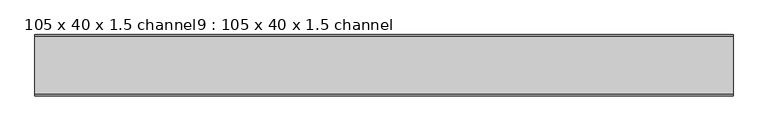
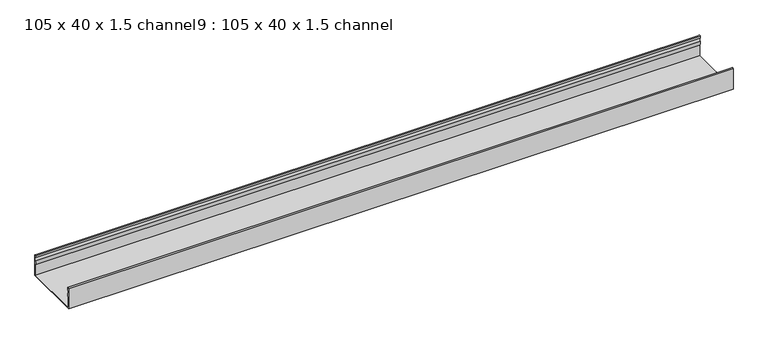
"""IFC4 building model written with IfcOpenShell, lengths in millimetres: proxy geometry, 105 x 40 x 1.5 channel9 : 105 x 40 x 1.5 channel."""

from ifc_helpers import new_model, si_unit, point, frame, frame_2d, origin, place, context, project, spatial, polyline, circle_curve, trimmed, segment, composite_curve, outline, extrude, source, transform, mapped, element, save


def proxy_105_x_40_x_1_5_channel9_105_x_40_x_1_5_channel_d0b52248(model_context):
    return source(origin(), model_context, "Body", "SweptSolid", [
        extrude(outline(composite_curve([segment(trimmed(circle_curve(frame_2d((-25047.5343538, 32.0)), 10.0), [point((-25037.9590458, 29.1166898))], [point((-25037.9590458, 34.8833102))], True, "CARTESIAN"), True, "CONTINUOUS"), segment(polyline([(-25037.9590458, 34.8833102), (-25038.5343538, 38.8)]), True, "CONTINUOUS"), segment(trimmed(circle_curve(frame_2d((-25037.3343538, 38.8)), 1.2), [point((-25038.5343538, 38.8))], [point((-25036.1343538, 38.8))], False, "CARTESIAN"), True, "CONTINUOUS"), segment(polyline([(-25036.1343538, 38.8), (-25036.1343538, 0.0), (-25141.4343538, 0.0), (-25141.4343538, 38.8)]), True, "CONTINUOUS"), segment(trimmed(circle_curve(frame_2d((-25140.2343538, 38.8)), 1.2), [point((-25141.4343538, 38.8))], [point((-25139.0343538, 38.8))], False, "CARTESIAN"), True, "CONTINUOUS"), segment(polyline([(-25139.0343538, 38.8), (-25139.6096617, 34.8833102)]), True, "CONTINUOUS"), segment(trimmed(circle_curve(frame_2d((-25130.0343538, 32.0)), 10.0), [point((-25139.6096617, 34.8833102))], [point((-25139.6096617, 29.1166898))], True, "CARTESIAN"), True, "CONTINUOUS"), segment(trimmed(circle_curve(frame_2d((-25149.0343538, 25.77376)), 10.0), [point((-25139.6096617, 29.1166898))], [point((-25140.0343538, 21.4148611))], False, "CARTESIAN"), True, "CONTINUOUS"), segment(polyline([(-25140.0343538, 21.4148611), (-25140.0343538, 1.4), (-25037.5343538, 1.4), (-25037.5343538, 21.4148611)]), True, "CONTINUOUS"), segment(trimmed(circle_curve(frame_2d((-25028.5343538, 25.77376)), 10.0), [point((-25037.5343538, 21.4148611))], [point((-25037.9590458, 29.1166898))], False, "CARTESIAN"), True, "CONTINUOUS")], self_intersect=False)), frame((11656.2644406, 0.0, 0.0), z_axis=(1.0, 0.0, 0.0), x_axis=(0.0, 1.0, 0.0)), (0.0, 0.0, 1.0), 1200.1845315),
    ])


if __name__ == "__main__":
    model = new_model("IFC4")
    model_context = context("Model", 3, world=origin())
    ifc_project = project(units=[si_unit("LENGTHUNIT", "METRE", prefix="MILLI")], contexts=[model_context])
    site = spatial("IfcSite", under=ifc_project)
    building = spatial("IfcBuilding", under=site)
    placement = place(None, origin())
    proxy_105_x_40_x_1_5_channel9_105_x_40_x_1_5_channel_shape = proxy_105_x_40_x_1_5_channel9_105_x_40_x_1_5_channel_d0b52248(model_context)
    element("IfcBuildingElementProxy", 1, Name="105 x 40 x 1.5 channel9 : 105 x 40 x 1.5 channel", ObjectType="105 x 40 x 1.5 channel9 : 105 x 40 x 1.5 channel", at=placement, inside=building, context=model_context, shape_type="MappedRepresentation", body=[
        mapped(proxy_105_x_40_x_1_5_channel9_105_x_40_x_1_5_channel_shape, transform((0.0, 0.0, 0.0), x_axis=(1.0, 0.0, 0.0), y_axis=(0.0, 1.0, 0.0), z_axis=(0.0, 0.0, 1.0))),
    ])
    save(model, "model.ifc")
